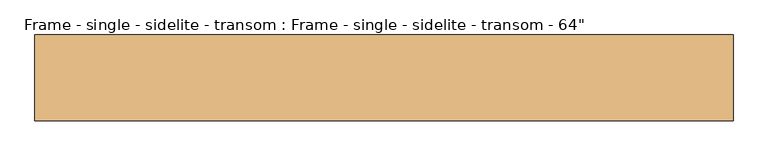
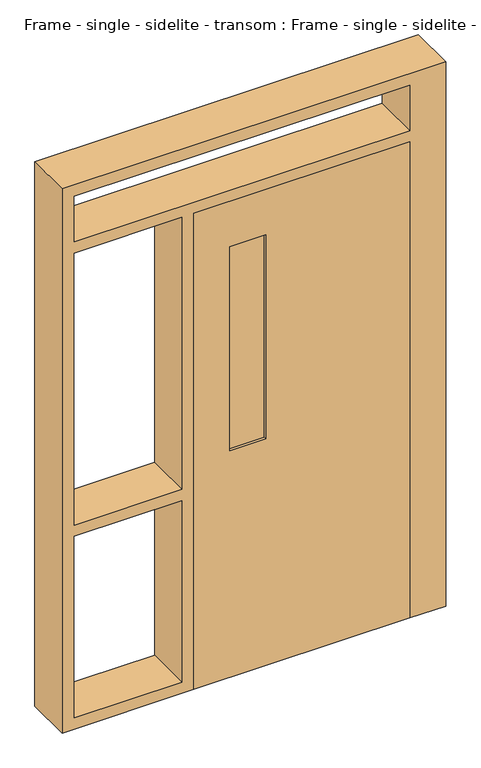
"""IFC4 building model written with IfcOpenShell, lengths in millimetres: door geometry."""

from ifc_helpers import new_model, si_unit, frame, origin, place, context, project, spatial, polyline, outline, extrude, source, transform, mapped, element, save


def door_7e6bfd67(model_context):
    return source(origin(), model_context, "Body", "SweptSolid", [
        extrude(outline(polyline([(-152.4, -73.9678304), (-152.4, -86.9654867), (-304.8, -86.9654867), (-304.8, -73.9678304), (-152.4, -73.9678304)])), frame((0.0, 0.0, 1016.0), z_axis=(0.0, 0.0, 1.0), x_axis=(1.0, 0.0, 0.0)), (0.0, 0.0, 1.0), 914.4),
        extrude(outline(polyline([(2133.6, 457.2), (2133.6, -457.2), (0.0, -457.2), (0.0, 457.2), (2133.6, 457.2)]), holes=[polyline([(1016.0, -152.4), (1016.0, -304.8), (1930.4, -304.8), (1930.4, -152.4), (1016.0, -152.4)])]), frame((0.0, -99.6470109, 0.0), z_axis=(0.0, 1.0, 0.0), x_axis=(0.0, 0.0, 1.0)), (0.0, 0.0, 1.0), 38.3607048),
        extrude(outline(polyline([(0.0, 457.2), (0.0, 609.6), (2438.4, 609.6), (2438.4, -1016.0), (0.0, -1016.0), (0.0, -457.2), (2133.6, -457.2), (2133.6, 457.2), (0.0, 457.2)]), holes=[polyline([(914.4, -965.2), (2133.6, -965.2), (2133.6, -508.0), (914.4, -508.0), (914.4, -965.2)]), polyline([(50.8, -508.0), (50.8, -965.2), (863.6, -965.2), (863.6, -508.0), (50.8, -508.0)]), polyline([(2184.4, -965.2), (2387.6, -965.2), (2387.6, 457.2), (2184.4, 457.2), (2184.4, -965.2)])]), frame((0.0, -99.6470109, 0.0), z_axis=(0.0, 1.0, 0.0), x_axis=(0.0, 0.0, 1.0)), (0.0, 0.0, 1.0), 200.025),
    ])


if __name__ == "__main__":
    model = new_model("IFC4")
    model_context = context("Model", 3, world=origin())
    ifc_project = project(units=[si_unit("LENGTHUNIT", "METRE", prefix="MILLI")], contexts=[model_context])
    site = spatial("IfcSite", under=ifc_project)
    building = spatial("IfcBuilding", under=site)
    placement = place(None, origin())
    door_shape = door_7e6bfd67(model_context)
    element("IfcDoor", 1, ObjectType="Frame - single - sidelite - transom : Frame - single - sidelite - transom - 64\"", at=placement, inside=building, context=model_context, shape_type="MappedRepresentation", body=[
        mapped(door_shape, transform((0.0, 0.0, 0.0), x_axis=(1.0, 0.0, 0.0), y_axis=(0.0, 1.0, 0.0), z_axis=(0.0, 0.0, 1.0))),
    ])
    save(model, "model.ifc")
